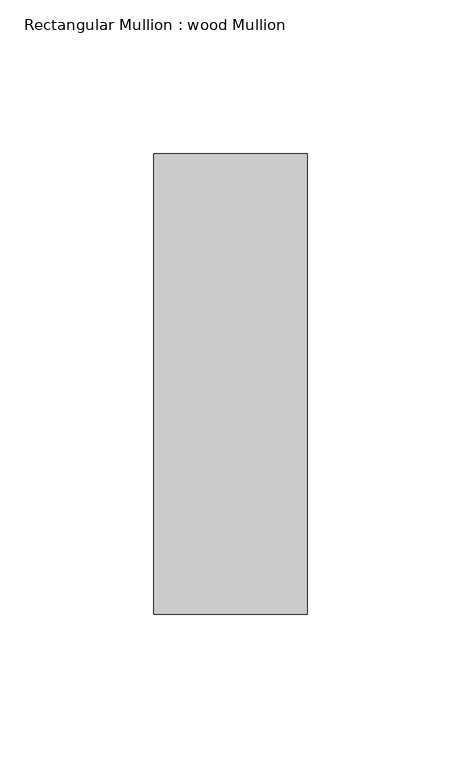
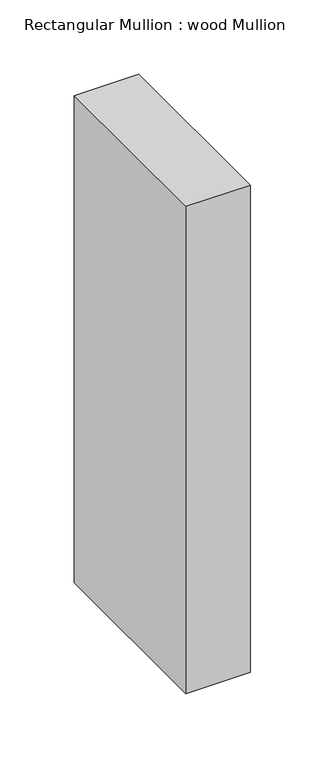
"""IFC4 building model written with IfcOpenShell, lengths in millimetres: member geometry, Rectangular Mullion : wood Mullion."""

from ifc_helpers import new_model, si_unit, frame, origin, place, context, project, spatial, polyline, outline, extrude, source, transform, mapped, element, save


def rectangular_mullion_wood_mullion_08303c98(model_context):
    return source(origin(), model_context, "Body", "SweptSolid", [
        extrude(outline(polyline([(25.0, 75.0), (25.0, -75.0), (-25.0, -75.0), (-25.0, 75.0), (25.0, 75.0)])), frame((0.0, 0.0, -400.0), z_axis=(0.0, 0.0, 1.0), x_axis=(1.0, 0.0, 0.0)), (0.0, 0.0, 1.0), 400.0),
    ])


if __name__ == "__main__":
    model = new_model("IFC4")
    model_context = context("Model", 3, world=origin())
    ifc_project = project(units=[si_unit("LENGTHUNIT", "METRE", prefix="MILLI")], contexts=[model_context])
    site = spatial("IfcSite", under=ifc_project)
    building = spatial("IfcBuilding", under=site)
    placement = place(None, origin())
    rectangular_mullion_wood_mullion_shape = rectangular_mullion_wood_mullion_08303c98(model_context)
    element("IfcMember", 1, ObjectType="Rectangular Mullion : wood Mullion", at=placement, inside=building, context=model_context, shape_type="MappedRepresentation", body=[
        mapped(rectangular_mullion_wood_mullion_shape, transform((0.0, 0.0, 0.0), x_axis=(1.0, 0.0, 0.0), y_axis=(0.0, 1.0, 0.0), z_axis=(0.0, 0.0, 1.0))),
    ])
    save(model, "model.ifc")
